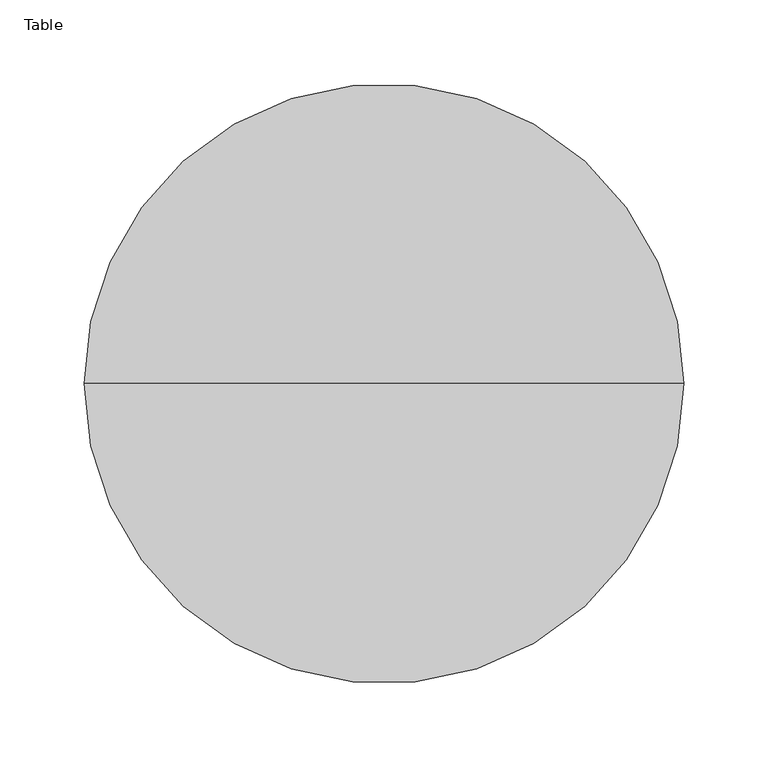
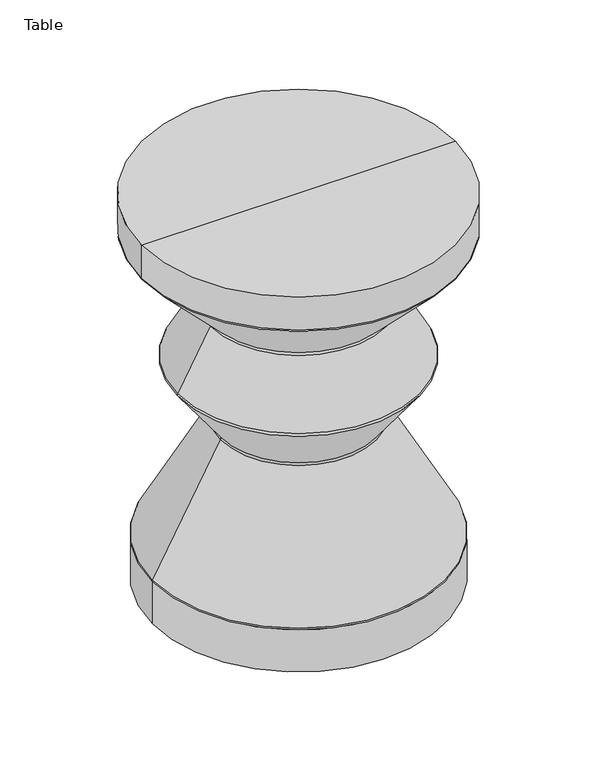
"""IFC4 building model written with IfcOpenShell, lengths in millimetres: furniture geometry, Table."""

from ifc_helpers import new_model, si_unit, point, frame, origin, place, context, project, spatial, polyline, circle_curve, ellipse_curve, trimmed, source, transform, mapped, element, save
from ifc_brep_helpers import plane_surface, cylinder_surface, revolved_surface, advanced_brep


def table_aaa19969(model_context):
    return source(origin(), model_context, "Body", "AdvancedBrep", [
        advanced_brep(
        [(-538.9339083, 345.7919098, 417.843279), (-183.3339083, 345.7919098, 417.843279), (-183.3339083, 345.7919098, 457.2), (-538.9339083, 345.7919098, 457.2), (-538.038811, 345.7919098, 415.6336029), (-184.2290055, 345.7919098, 415.6336029), (-461.3316522, 345.7919098, 336.4885805), (-260.9361643, 345.7919098, 336.4885805), (-460.82604, 345.7919098, 332.7552473), (-261.4417766, 345.7919098, 332.7552473), (-497.7525294, 345.7919098, 265.247089), (-224.5152871, 345.7919098, 265.247089), (-497.5258773, 345.7919098, 261.8438452), (-224.7419393, 345.7919098, 261.8438452), (-449.5101032, 345.7919098, 196.4753315), (-272.7577133, 345.7919098, 196.4753315), (-449.2815163, 345.7919098, 193.0756303), (-272.9863003, 345.7919098, 193.0756303), (-526.1960013, 345.7919098, 52.0367474), (-196.0718153, 345.7919098, 52.0367474), (-526.5835514, 345.7919098, 50.5166328), (-195.6842651, 345.7919098, 50.5166328), (-526.5835514, 345.7919098, 0.0), (-195.6842651, 345.7919098, 0.0), (-361.1339082, 345.7919098, 0.0), (-361.1339082, 345.7919098, 457.2)],
        [
            (0, 1, circle_curve(frame((-361.1339083, 345.7919098, 417.843279), z_axis=(0.0, 0.0, 1.0), x_axis=(1.0, 0.0, 0.0)), 177.8)),
            (1, 2),
            (2, 3, circle_curve(frame((-361.1339083, 345.7919098, 457.2), z_axis=(0.0, 0.0, -1.0), x_axis=(1.0, 0.0, 0.0)), 177.8)),
            (3, 0),
            (1, 0, circle_curve(frame((-361.1339083, 345.7919098, 417.843279), z_axis=(0.0, 0.0, 1.0), x_axis=(1.0, 0.0, 0.0)), 177.8)),
            (3, 2, circle_curve(frame((-361.1339083, 345.7919098, 457.2), z_axis=(0.0, 0.0, -1.0), x_axis=(1.0, 0.0, 0.0)), 177.8)),
            (4, 5, circle_curve(frame((-361.1339083, 345.7919098, 415.6336029), z_axis=(0.0, 0.0, 1.0), x_axis=(1.0, 0.0, 0.0)), 176.9049028)),
            (5, 1, circle_curve(frame((-186.5089083, 345.7919098, 417.843279), z_axis=(0.0, -1.0, 0.0), x_axis=(1.0, 0.0, 0.0)), 3.175)),
            (0, 4, circle_curve(frame((-535.7589083, 345.7919098, 417.843279), z_axis=(0.0, -1.0, 0.0), x_axis=(-1.0, 0.0, 0.0)), 3.175)),
            (5, 4, circle_curve(frame((-361.1339083, 345.7919098, 415.6336029), z_axis=(0.0, 0.0, 1.0), x_axis=(1.0, 0.0, 0.0)), 176.9049028)),
            (6, 7, circle_curve(frame((-361.1339083, 345.7919098, 336.4885805), z_axis=(0.0, 0.0, 1.0), x_axis=(1.0, 0.0, 0.0)), 100.1977439)),
            (7, 5),
            (4, 6),
            (7, 6, circle_curve(frame((-361.1339083, 345.7919098, 336.4885805), z_axis=(0.0, 0.0, 1.0), x_axis=(1.0, 0.0, 0.0)), 100.1977439)),
            (8, 9, circle_curve(frame((-361.1339083, 345.7919098, 332.7552473), z_axis=(0.0, 0.0, 1.0), x_axis=(1.0, 0.0, 0.0)), 99.6921317)),
            (9, 7, circle_curve(frame((-258.6562616, 345.7919098, 334.2789045), z_axis=(0.0, 1.0, 0.0), x_axis=(1.0, 0.0, 0.0)), 3.175)),
            (6, 8, circle_curve(frame((-463.611555, 345.7919098, 334.2789045), z_axis=(0.0, 1.0, 0.0), x_axis=(-1.0, 0.0, 0.0)), 3.175)),
            (9, 8, circle_curve(frame((-361.1339083, 345.7919098, 332.7552473), z_axis=(0.0, 0.0, 1.0), x_axis=(1.0, 0.0, 0.0)), 99.6921317)),
            (10, 11, circle_curve(frame((-361.1339083, 345.7919098, 265.247089), z_axis=(0.0, 0.0, 1.0), x_axis=(1.0, 0.0, 0.0)), 136.6186211)),
            (11, 9),
            (8, 10),
            (11, 10, circle_curve(frame((-361.1339083, 345.7919098, 265.247089), z_axis=(0.0, 0.0, 1.0), x_axis=(1.0, 0.0, 0.0)), 136.6186211)),
            (12, 13, circle_curve(frame((-361.1339083, 345.7919098, 261.8438452), z_axis=(0.0, 0.0, 1.0), x_axis=(1.0, 0.0, 0.0)), 136.391969)),
            (13, 11, circle_curve(frame((-227.3008021, 345.7919098, 263.7234318), z_axis=(0.0, -1.0, 0.0), x_axis=(1.0, 0.0, 0.0)), 3.175)),
            (10, 12, circle_curve(frame((-494.9670144, 345.7919098, 263.7234318), z_axis=(0.0, -1.0, 0.0), x_axis=(-1.0, 0.0, 0.0)), 3.175)),
            (13, 12, circle_curve(frame((-361.1339083, 345.7919098, 261.8438452), z_axis=(0.0, 0.0, 1.0), x_axis=(1.0, 0.0, 0.0)), 136.391969)),
            (14, 15, circle_curve(frame((-361.1339083, 345.7919098, 196.4753315), z_axis=(0.0, 0.0, 1.0), x_axis=(1.0, 0.0, 0.0)), 88.376195)),
            (15, 13),
            (12, 14),
            (15, 14, circle_curve(frame((-361.1339083, 345.7919098, 196.4753315), z_axis=(0.0, 0.0, 1.0), x_axis=(1.0, 0.0, 0.0)), 88.376195)),
            (16, 17, circle_curve(frame((-361.1339083, 345.7919098, 193.0756303), z_axis=(0.0, 0.0, 1.0), x_axis=(1.0, 0.0, 0.0)), 88.147608)),
            (17, 15, circle_curve(frame((-270.1988504, 345.7919098, 194.5957449), z_axis=(0.0, 1.0, 0.0), x_axis=(1.0, 0.0, 0.0)), 3.175)),
            (14, 16, circle_curve(frame((-452.0689661, 345.7919098, 194.5957449), z_axis=(0.0, 1.0, 0.0), x_axis=(-1.0, 0.0, 0.0)), 3.175)),
            (17, 16, circle_curve(frame((-361.1339083, 345.7919098, 193.0756303), z_axis=(0.0, 0.0, 1.0), x_axis=(1.0, 0.0, 0.0)), 88.147608)),
            (18, 19, circle_curve(frame((-361.1339083, 345.7919098, 52.0367474), z_axis=(0.0, 0.0, 1.0), x_axis=(1.0, 0.0, 0.0)), 165.062093)),
            (19, 17),
            (16, 18),
            (19, 18, circle_curve(frame((-361.1339083, 345.7919098, 52.0367474), z_axis=(0.0, 0.0, 1.0), x_axis=(1.0, 0.0, 0.0)), 165.062093)),
            (20, 21, circle_curve(frame((-361.1339083, 345.7919098, 50.5166328), z_axis=(0.0, 0.0, 1.0), x_axis=(1.0, 0.0, 0.0)), 165.4496432)),
            (21, 19, circle_curve(frame((-198.8592651, 345.7919098, 50.5166328), z_axis=(0.0, -1.0, 0.0), x_axis=(1.0, 0.0, 0.0)), 3.175)),
            (18, 20, circle_curve(frame((-523.4085514, 345.7919098, 50.5166328), z_axis=(0.0, -1.0, 0.0), x_axis=(-1.0, 0.0, 0.0)), 3.175)),
            (21, 20, circle_curve(frame((-361.1339083, 345.7919098, 50.5166328), z_axis=(0.0, 0.0, 1.0), x_axis=(1.0, 0.0, 0.0)), 165.4496432)),
            (22, 23, circle_curve(frame((-361.1339083, 345.7919098, 0.0), z_axis=(0.0, 0.0, 1.0), x_axis=(1.0, 0.0, 0.0)), 165.4496432)),
            (23, 21),
            (20, 22),
            (23, 22, circle_curve(frame((-361.1339083, 345.7919098, 0.0), z_axis=(0.0, 0.0, 1.0), x_axis=(1.0, 0.0, 0.0)), 165.4496432)),
            (24, 23),
            (22, 24),
            (2, 25),
            (25, 3),
        ],
        [
            cylinder_surface(frame((-361.1339083, 345.7919098, 819.15), z_axis=(0.0, 0.0, -1.0), x_axis=(1.0, 0.0, 0.0)), 177.8),
            revolved_surface(trimmed(ellipse_curve(frame((-186.5089083, 345.7919098, 417.843279), z_axis=(0.0, 1.0, 0.0), x_axis=(1.0, 0.0, 0.0)), 3.175, 3.175), [point((-183.3339083, 345.7919098, 417.843279))], [point((-184.2290055, 345.7919098, 415.6336029))], True, "CARTESIAN"), (-361.1339083, 345.7919098, 819.15), (0.0, 0.0, -1.0)),
            revolved_surface(polyline([(-184.2290055, 345.7919098, 415.6336029), (-260.9361643, 345.7919098, 336.4885805)]), (-361.1339083, 345.7919098, 819.15), (0.0, 0.0, -1.0)),
            revolved_surface(trimmed(ellipse_curve(frame((-258.6562616, 345.7919098, 334.2789045), z_axis=(0.0, -1.0, 0.0), x_axis=(1.0, 0.0, 0.0)), 3.175, 3.175), [point((-260.9361643, 345.7919098, 336.4885805))], [point((-261.4417766, 345.7919098, 332.7552473))], True, "CARTESIAN"), (-361.1339083, 345.7919098, 819.15), (0.0, 0.0, -1.0)),
            revolved_surface(polyline([(-261.4417766, 345.7919098, 332.7552473), (-224.5152871, 345.7919098, 265.247089)]), (-361.1339083, 345.7919098, 819.15), (0.0, 0.0, -1.0)),
            revolved_surface(trimmed(ellipse_curve(frame((-227.3008021, 345.7919098, 263.7234318), z_axis=(0.0, 1.0, 0.0), x_axis=(1.0, 0.0, 0.0)), 3.175, 3.175), [point((-224.5152871, 345.7919098, 265.247089))], [point((-224.7419393, 345.7919098, 261.8438452))], True, "CARTESIAN"), (-361.1339083, 345.7919098, 819.15), (0.0, 0.0, -1.0)),
            revolved_surface(polyline([(-224.7419393, 345.7919098, 261.8438452), (-272.7577133, 345.7919098, 196.4753315)]), (-361.1339083, 345.7919098, 819.15), (0.0, 0.0, -1.0)),
            revolved_surface(trimmed(ellipse_curve(frame((-270.1988504, 345.7919098, 194.5957449), z_axis=(0.0, -1.0, 0.0), x_axis=(1.0, 0.0, 0.0)), 3.175, 3.175), [point((-272.7577133, 345.7919098, 196.4753315))], [point((-272.9863003, 345.7919098, 193.0756303))], True, "CARTESIAN"), (-361.1339083, 345.7919098, 819.15), (0.0, 0.0, -1.0)),
            revolved_surface(polyline([(-272.9863003, 345.7919098, 193.0756303), (-196.0718153, 345.7919098, 52.0367474)]), (-361.1339083, 345.7919098, 819.15), (0.0, 0.0, -1.0)),
            revolved_surface(trimmed(ellipse_curve(frame((-198.8592651, 345.7919098, 50.5166328), z_axis=(0.0, 1.0, 0.0), x_axis=(1.0, 0.0, 0.0)), 3.175, 3.175), [point((-196.0718153, 345.7919098, 52.0367474))], [point((-195.6842651, 345.7919098, 50.5166328))], True, "CARTESIAN"), (-361.1339083, 345.7919098, 819.15), (0.0, 0.0, -1.0)),
            cylinder_surface(frame((-361.1339083, 345.7919098, 819.15), z_axis=(0.0, 0.0, -1.0), x_axis=(1.0, 0.0, 0.0)), 165.4496432),
            plane_surface(frame((-361.1339083, 345.7919098, 0.0), z_axis=(0.0, 0.0, -1.0), x_axis=(1.0, 0.0, 0.0))),
            plane_surface(frame((-361.1339083, 345.7919098, 457.2), z_axis=(0.0, 0.0, 1.0), x_axis=(1.0, 0.0, 0.0))),
        ],
        [
            (0, [[1, 2, 3, 4]]),
            (0, [[5, -4, 6, -2]]),
            (1, [[7, 8, -1, 9]]),
            (1, [[10, -9, -5, -8]]),
            (2, [[11, 12, -7, 13]]),
            (2, [[14, -13, -10, -12]]),
            (3, [[15, 16, -11, 17]]),
            (3, [[18, -17, -14, -16]]),
            (4, [[19, 20, -15, 21]]),
            (4, [[22, -21, -18, -20]]),
            (5, [[23, 24, -19, 25]]),
            (5, [[26, -25, -22, -24]]),
            (6, [[27, 28, -23, 29]]),
            (6, [[30, -29, -26, -28]]),
            (7, [[31, 32, -27, 33]]),
            (7, [[34, -33, -30, -32]]),
            (8, [[35, 36, -31, 37]]),
            (8, [[38, -37, -34, -36]]),
            (9, [[39, 40, -35, 41]]),
            (9, [[42, -41, -38, -40]]),
            (10, [[43, 44, -39, 45]]),
            (10, [[46, -45, -42, -44]]),
            (11, [[47, -43, 48]]),
            (11, [[-48, -46, -47]]),
            (12, [[-3, 49, 50]]),
            (12, [[-6, -50, -49]]),
        ],
    ),
    ])


if __name__ == "__main__":
    model = new_model("IFC4")
    model_context = context("Model", 3, world=origin())
    ifc_project = project(units=[si_unit("LENGTHUNIT", "METRE", prefix="MILLI")], contexts=[model_context])
    site = spatial("IfcSite", under=ifc_project)
    building = spatial("IfcBuilding", under=site)
    placement = place(None, origin())
    table_shape = table_aaa19969(model_context)
    element("IfcFurniture", 1, ObjectType="Table", at=placement, inside=building, context=model_context, shape_type="MappedRepresentation", body=[
        mapped(table_shape, transform((0.0, 0.0, 0.0), x_axis=(1.0, 0.0, 0.0), y_axis=(0.0, 1.0, 0.0), z_axis=(0.0, 0.0, 1.0))),
    ])
    save(model, "model.ifc")
